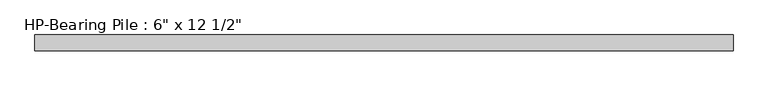
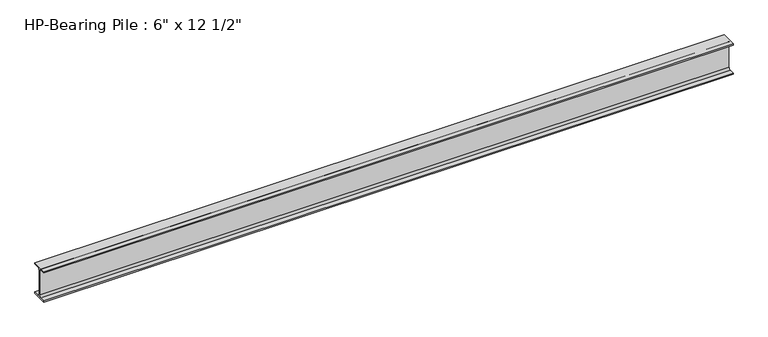
"""IFC4 building model written with IfcOpenShell, lengths in millimetres: beam geometry."""

from ifc_helpers import new_model, si_unit, point, frame, frame_2d, origin, place, context, project, spatial, polyline, circle_curve, trimmed, segment, composite_curve, outline, extrude, source, transform, mapped, element, save


def beam_8f0f986f(model_context):
    return source(origin(), model_context, "Body", "SweptSolid", [
        extrude(outline(composite_curve([segment(polyline([(76.2, -146.05), (76.2, -158.75), (-76.2, -158.75), (-76.2, -146.05), (-25.4, -146.05)]), True, "CONTINUOUS"), segment(trimmed(circle_curve(frame_2d((-25.4, -127.0)), 19.05), [point((-25.4, -146.05))], [point((-6.35, -127.0))], True, "CARTESIAN"), True, "CONTINUOUS"), segment(polyline([(-6.35, -127.0), (-6.35, 127.0)]), True, "CONTINUOUS"), segment(trimmed(circle_curve(frame_2d((-25.4, 127.0)), 19.05), [point((-6.35, 127.0))], [point((-25.4, 146.05))], True, "CARTESIAN"), True, "CONTINUOUS"), segment(polyline([(-25.4, 146.05), (-76.2, 146.05), (-76.2, 158.75), (76.2, 158.75), (76.2, 146.05), (25.4, 146.05)]), True, "CONTINUOUS"), segment(trimmed(circle_curve(frame_2d((25.4, 127.0)), 19.05), [point((25.4, 146.05))], [point((6.35, 127.0))], True, "CARTESIAN"), True, "CONTINUOUS"), segment(polyline([(6.35, 127.0), (6.35, -127.0)]), True, "CONTINUOUS"), segment(trimmed(circle_curve(frame_2d((25.4, -127.0)), 19.05), [point((6.35, -127.0))], [point((25.4, -146.05))], True, "CARTESIAN"), True, "CONTINUOUS"), segment(polyline([(25.4, -146.05), (76.2, -146.05)]), True, "CONTINUOUS")], self_intersect=False)), frame((-3390.9, 0.0, 0.0), z_axis=(1.0, 0.0, 0.0), x_axis=(0.0, 1.0, 0.0)), (0.0, 0.0, 1.0), 6781.8),
    ])


if __name__ == "__main__":
    model = new_model("IFC4")
    model_context = context("Model", 3, world=origin())
    ifc_project = project(units=[si_unit("LENGTHUNIT", "METRE", prefix="MILLI")], contexts=[model_context])
    site = spatial("IfcSite", under=ifc_project)
    building = spatial("IfcBuilding", under=site)
    placement = place(None, origin())
    beam_shape = beam_8f0f986f(model_context)
    element("IfcBeam", 1, ObjectType="HP-Bearing Pile : 6\" x 12 1/2\"", at=placement, inside=building, context=model_context, shape_type="MappedRepresentation", body=[
        mapped(beam_shape, transform((0.0, 0.0, 0.0), x_axis=(1.0, 0.0, 0.0), y_axis=(0.0, 1.0, 0.0), z_axis=(0.0, 0.0, 1.0))),
    ])
    save(model, "model.ifc")
